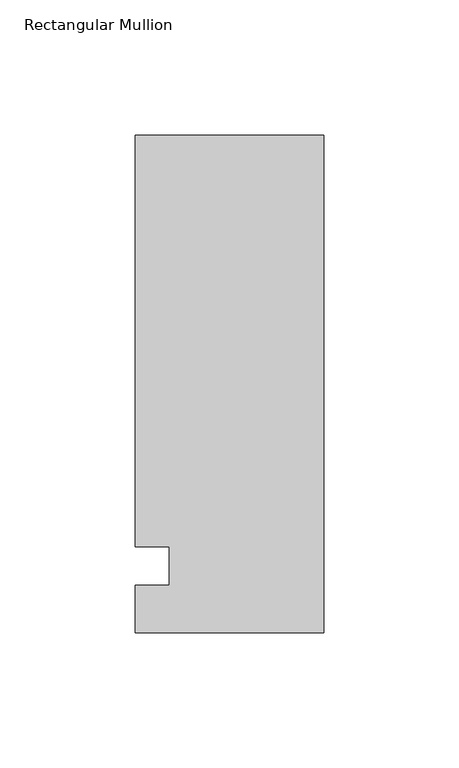
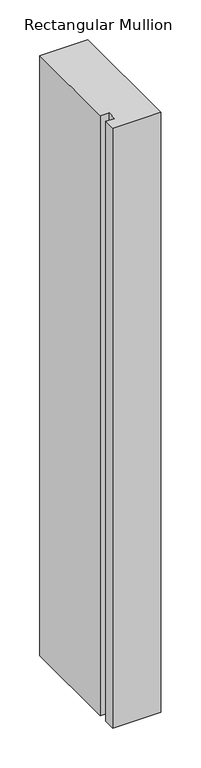
"""IFC4 building model written with IfcOpenShell, lengths in millimetres: member geometry, Rectangular Mullion."""

from ifc_helpers import new_model, si_unit, frame, origin, place, context, project, spatial, polyline, outline, extrude, source, transform, mapped, element, save


def rectangular_mullion_38aa67cf(model_context):
    return source(origin(), model_context, "Body", "SweptSolid", [
        extrude(outline(polyline([(-69.85, 159.54375), (0.0, 159.54375), (0.0, -24.60625), (-69.85, -24.60625), (-69.85, -7.14375), (-57.1482296, -7.14375), (-57.1482296, 7.14375), (-69.85, 7.14375), (-69.85, 159.54375)])), frame((0.0, 0.0, -921.9094027), z_axis=(0.0, 0.0, 1.0), x_axis=(1.0, 0.0, 0.0)), (0.0, 0.0, 1.0), 921.9094027),
    ])


if __name__ == "__main__":
    model = new_model("IFC4")
    model_context = context("Model", 3, world=origin())
    ifc_project = project(units=[si_unit("LENGTHUNIT", "METRE", prefix="MILLI")], contexts=[model_context])
    site = spatial("IfcSite", under=ifc_project)
    building = spatial("IfcBuilding", under=site)
    placement = place(None, origin())
    rectangular_mullion_shape = rectangular_mullion_38aa67cf(model_context)
    element("IfcMember", 1, ObjectType="Rectangular Mullion", at=placement, inside=building, context=model_context, shape_type="MappedRepresentation", body=[
        mapped(rectangular_mullion_shape, transform((0.0, 0.0, 0.0), x_axis=(1.0, 0.0, 0.0), y_axis=(0.0, 1.0, 0.0), z_axis=(0.0, 0.0, 1.0))),
    ])
    save(model, "model.ifc")
